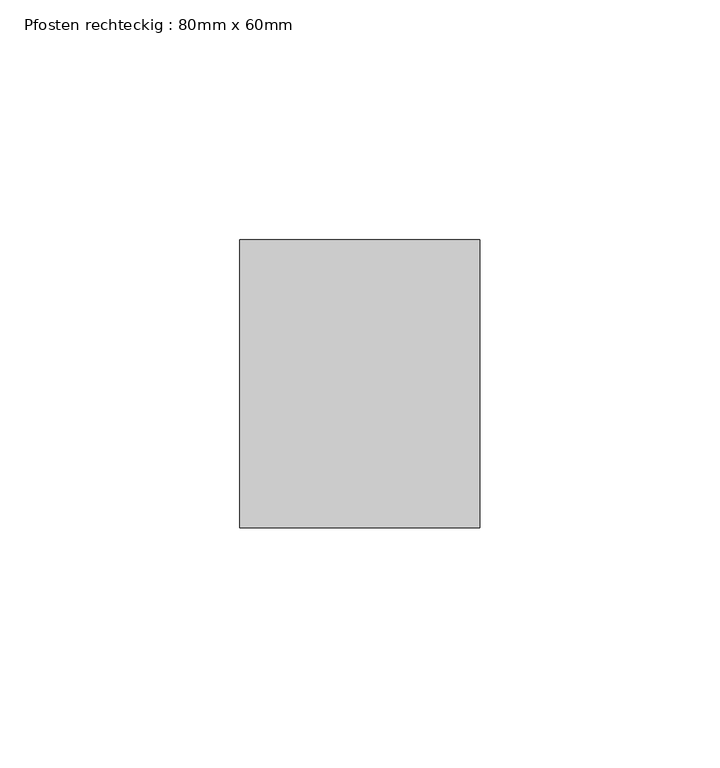
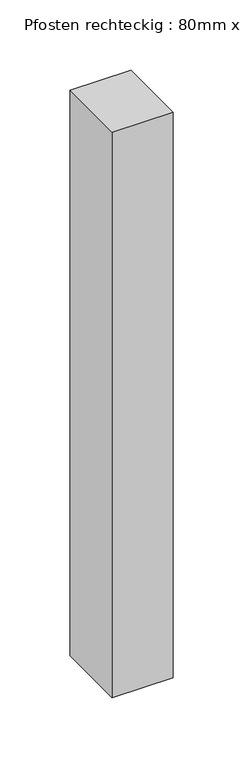
"""IFC4 building model written with IfcOpenShell, lengths in millimetres: member geometry, Pfosten rechteckig : 80mm x 60mm."""

from ifc_helpers import new_model, si_unit, frame, origin, place, context, project, spatial, polyline, outline, extrude, source, transform, mapped, element, save


def pfosten_rechteckig_80mm_x_60mm_dbc785b7(model_context):
    return source(origin(), model_context, "Body", "SweptSolid", [
        extrude(outline(polyline([(25.0, 30.0), (25.0, -30.0), (-25.0, -30.0), (-25.0, 30.0), (25.0, 30.0)])), frame((0.0, 0.0, -491.6666667), z_axis=(0.0, 0.0, 1.0), x_axis=(1.0, 0.0, 0.0)), (0.0, 0.0, 1.0), 491.6666667),
    ])


if __name__ == "__main__":
    model = new_model("IFC4")
    model_context = context("Model", 3, world=origin())
    ifc_project = project(units=[si_unit("LENGTHUNIT", "METRE", prefix="MILLI")], contexts=[model_context])
    site = spatial("IfcSite", under=ifc_project)
    building = spatial("IfcBuilding", under=site)
    placement = place(None, origin())
    pfosten_rechteckig_80mm_x_60mm_shape = pfosten_rechteckig_80mm_x_60mm_dbc785b7(model_context)
    element("IfcMember", 1, ObjectType="Pfosten rechteckig : 80mm x 60mm", at=placement, inside=building, context=model_context, shape_type="MappedRepresentation", body=[
        mapped(pfosten_rechteckig_80mm_x_60mm_shape, transform((0.0, 0.0, 0.0), x_axis=(1.0, 0.0, 0.0), y_axis=(0.0, 1.0, 0.0), z_axis=(0.0, 0.0, 1.0))),
    ])
    save(model, "model.ifc")
